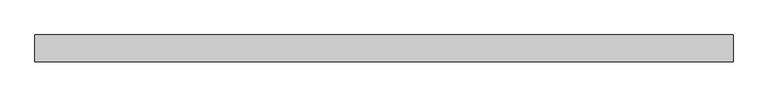
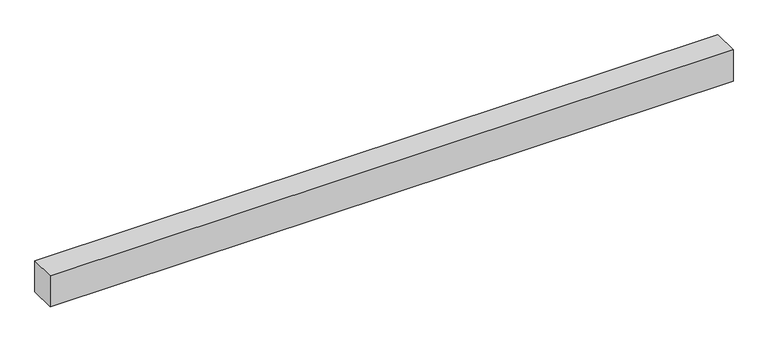
"""IFC4 building model written with IfcOpenShell, lengths in millimetres: proxy geometry."""

from ifc_helpers import new_model, si_unit, origin, origin_with_axes, place, context, project, spatial, polyline, outline, extrude, source, transform, mapped, element, save


def generic_models_e1c9deb9(model_context):
    return source(origin(), model_context, "Body", "SweptSolid", [
        extrude(outline(polyline([(2080.0, -40.0), (0.0, -40.0), (0.0, 40.0), (2080.0, 40.0), (2080.0, -40.0)])), origin_with_axes(), (0.0, 0.0, 1.0), 100.0),
    ])


if __name__ == "__main__":
    model = new_model("IFC4")
    model_context = context("Model", 3, world=origin())
    ifc_project = project(units=[si_unit("LENGTHUNIT", "METRE", prefix="MILLI")], contexts=[model_context])
    site = spatial("IfcSite", under=ifc_project)
    building = spatial("IfcBuilding", under=site)
    placement = place(None, origin())
    generic_models_shape = generic_models_e1c9deb9(model_context)
    element("IfcBuildingElementProxy", 1, Name="Generic Models", at=placement, inside=building, context=model_context, shape_type="MappedRepresentation", body=[
        mapped(generic_models_shape, transform((0.0, 0.0, 0.0), x_axis=(1.0, 0.0, 0.0), y_axis=(0.0, 1.0, 0.0), z_axis=(0.0, 0.0, 1.0))),
    ])
    save(model, "model.ifc")
